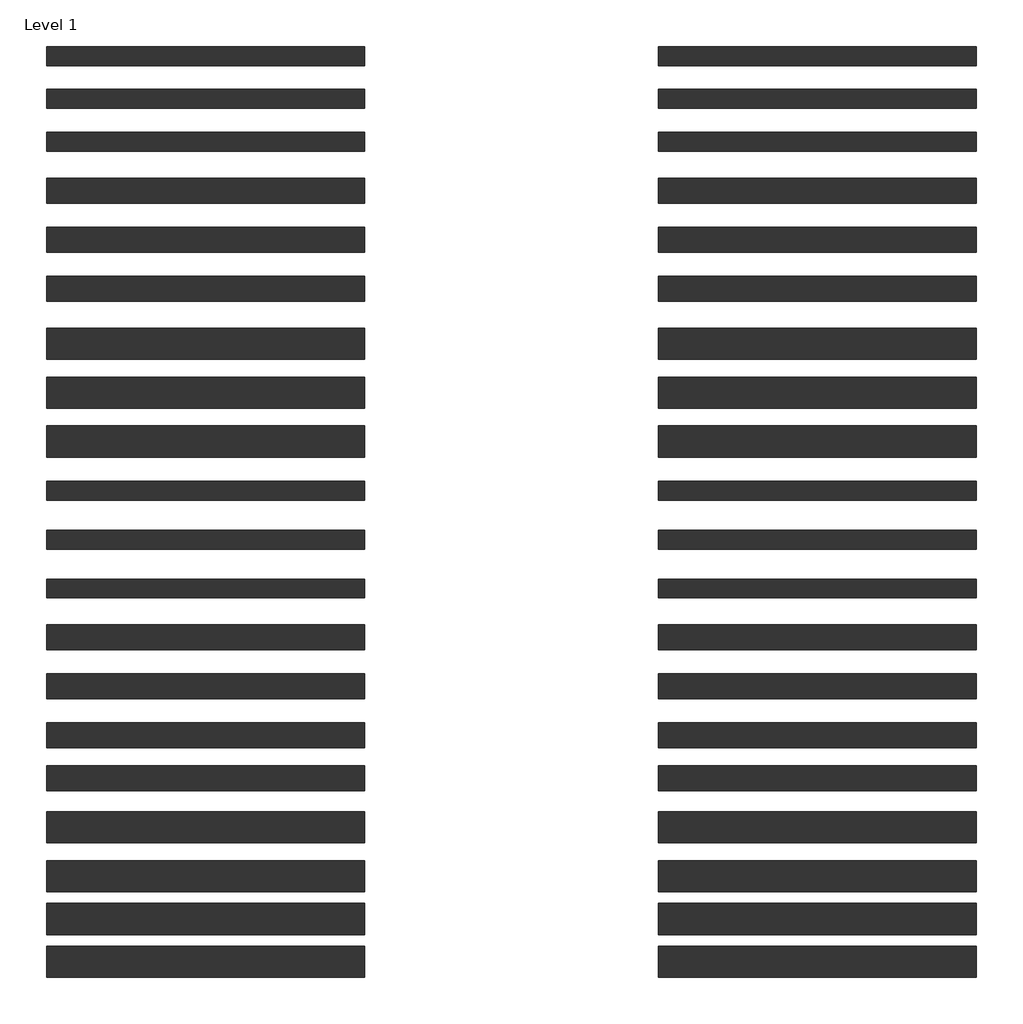
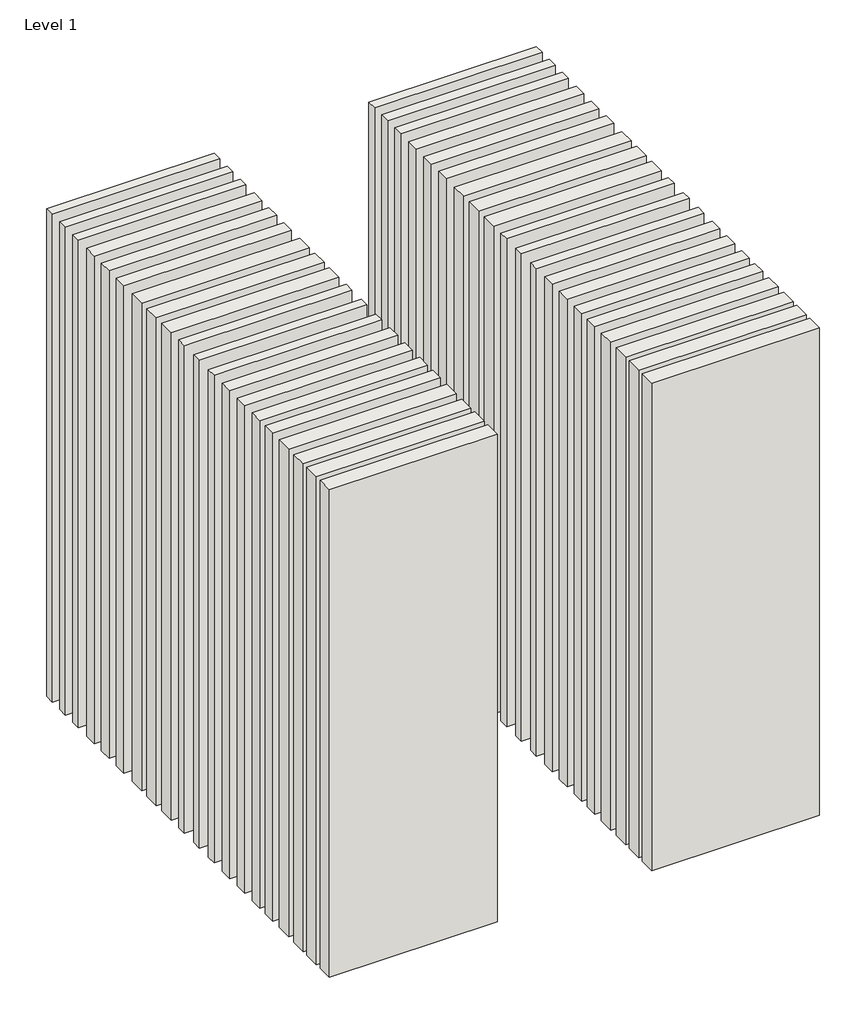
# One storey: 40 walls.
"""IFC4 building model written with IfcOpenShell, lengths in millimetres."""

import ifcopenshell
import ifcopenshell.guid

model = None  # the IFC model being written
_history = None  # IfcOwnerHistory: only IFC2X3 demands one
_inside = {}  # id of a spatial element -> (the spatial element, [elements in it])
_under = {}  # id of a project, library or spatial element -> (it, [spatial elements below it])
_declared = {}  # id of a project -> (the project, [libraries it declares])
_typed = {}  # id of a type object -> (the type object, [elements of that type])
_made_of = {}  # id of a material, layer set ... -> (it, [elements and type objects made of it])


def new_model(schema):
    """Start an empty IFC model of exactly this schema.

    Asked for "IFC4X3", IfcOpenShell would pick the latest addendum, in which some entities
    have other attributes; the version numbers below select the first issue.
    IFC2X3 requires an IfcOwnerHistory on every rooted entity: one is made here for all.
    """
    global model, _history
    if schema == "IFC4X3":
        model = ifcopenshell.file(schema_version=(4, 3, 0, 0))
    else:
        model = ifcopenshell.file(schema=schema)
    _inside.clear()
    _under.clear()
    _declared.clear()
    _typed.clear()
    _made_of.clear()
    _history = None
    if model.schema == "IFC2X3":
        org = make("IfcOrganization", Name="unknown")
        user = make(
            "IfcPersonAndOrganization",
            ThePerson=make("IfcPerson", FamilyName="unknown"),
            TheOrganization=org,
        )
        app = make(
            "IfcApplication",
            ApplicationDeveloper=org,
            Version="unknown",
            ApplicationFullName="unknown",
            ApplicationIdentifier="unknown",
        )
        _history = make(
            "IfcOwnerHistory",
            OwningUser=user,
            OwningApplication=app,
            ChangeAction="ADDED",
            CreationDate=0,
        )
    return model


def make(cls, **values):
    """One entity of the class cls with the attributes given. An attribute that is None is left unset."""
    return model.create_entity(
        cls, **{name: value for name, value in values.items() if value is not None}
    )


def rooted(cls, **values):
    """An entity with a GlobalId (a new one), such as an element, a storey or a relation."""
    return make(cls, GlobalId=ifcopenshell.guid.new(), OwnerHistory=_history, **values)


def si_unit(unit_type, name, prefix=None):
    """IfcSIUnit, for example si_unit("LENGTHUNIT", "METRE", prefix="MILLI")."""
    return make("IfcSIUnit", UnitType=unit_type, Prefix=prefix, Name=name)


def assignment(units):
    """IfcUnitAssignment: the units of a project."""
    return None if units is None else make("IfcUnitAssignment", Units=units)


def point(xyz):
    """IfcCartesianPoint."""
    return None if xyz is None else make("IfcCartesianPoint", Coordinates=xyz)


def direction(xyz):
    """IfcDirection."""
    return None if xyz is None else make("IfcDirection", DirectionRatios=xyz)


def frame(location, z_axis=None, x_axis=None):
    """IfcAxis2Placement3D, a coordinate frame: its origin and axes. An axis left out is left unset."""
    return make(
        "IfcAxis2Placement3D",
        Location=point(location),
        Axis=direction(z_axis),
        RefDirection=direction(x_axis),
    )


def origin():
    """The frame at (0, 0, 0) with its axes left unset."""
    return frame((0.0, 0.0, 0.0))


def origin_with_axes():
    """The frame at (0, 0, 0) with the z axis (0, 0, 1) and the x axis (1, 0, 0) written out."""
    return frame((0.0, 0.0, 0.0), z_axis=(0.0, 0.0, 1.0), x_axis=(1.0, 0.0, 0.0))


def place(relative_to, where):
    """IfcLocalPlacement: puts the frame where relative to a parent placement (None: the world)."""
    return make(
        "IfcLocalPlacement", PlacementRelTo=relative_to, RelativePlacement=where
    )


def context(
    kind, dimensions, precision=None, world=None, true_north=None, identifier=None
):
    """IfcGeometricRepresentationContext, for example the 3D "Model" context."""
    return make(
        "IfcGeometricRepresentationContext",
        ContextIdentifier=identifier,
        ContextType=kind,
        CoordinateSpaceDimension=dimensions,
        Precision=precision,
        WorldCoordinateSystem=world,
        TrueNorth=true_north,
    )


def project(units=None, contexts=None):
    """IfcProject with its units and contexts."""
    return rooted(
        "IfcProject",
        Name="project",
        RepresentationContexts=contexts,
        UnitsInContext=assignment(units),
    )


def spatial(cls, under=None, at=None, **own):
    """A site, building, storey or space (cls), placed at a placement, below another one or the project."""
    s = rooted(cls, ObjectPlacement=at, **own)
    if under is not None:
        _under.setdefault(under.id(), (under, []))[1].append(s)
    return s


def polyline(points):
    """IfcPolyline through the points."""
    return make("IfcPolyline", Points=[point(p) for p in points])


def outline(outer, holes=None, kind="AREA"):
    """IfcArbitraryClosedProfileDef: a profile drawn as a closed curve; with holes, ...WithVoids."""
    if holes is None:
        return make("IfcArbitraryClosedProfileDef", ProfileType=kind, OuterCurve=outer)
    return make(
        "IfcArbitraryProfileDefWithVoids",
        ProfileType=kind,
        OuterCurve=outer,
        InnerCurves=holes,
    )


def extrude(swept, where, along, depth):
    """IfcExtrudedAreaSolid: the profile swept, set in the frame where, extruded along a direction by depth."""
    return make(
        "IfcExtrudedAreaSolid",
        SweptArea=swept,
        Position=where,
        ExtrudedDirection=direction(along),
        Depth=depth,
    )


def shape(context_of_items, identifier, shape_type, items):
    """IfcShapeRepresentation: the items that make up one representation, for example the "Body"."""
    return make(
        "IfcShapeRepresentation",
        ContextOfItems=context_of_items,
        RepresentationIdentifier=identifier,
        RepresentationType=shape_type,
        Items=items,
    )


def made_of(thing, what):
    """Note that an element or type object is made of a material, layer set ...; save() writes the relation."""
    if what is not None:
        _made_of.setdefault(what.id(), (what, []))[1].append(thing)
    return thing


def element(
    cls,
    number,
    at=None,
    inside=None,
    cuts=None,
    type_object=None,
    material=None,
    context=None,
    identifier="Body",
    shape_type=None,
    held_by="IfcProductDefinitionShape",
    body=None,
    shapes=None,
    **own,
):
    """One element of the class cls, such as IfcWall. Its Tag is "e" and its number.

    at: its placement. inside: the storey or other place that contains it. cuts: it is an
    opening in that element (IfcRelVoidsElement). A single representation is given by context,
    identifier, shape_type and body (its items); several are given by shapes. held_by: the class
    of the entity that holds the representations. save() writes the other relations.
    """
    e = rooted(cls, Tag="e%d" % number, ObjectPlacement=at, **own)
    if body is not None:
        shapes = [shape(context, identifier, shape_type, body)]
    if shapes is not None:
        e.Representation = make(held_by, Representations=shapes)
    if inside is not None:
        _inside.setdefault(inside.id(), (inside, []))[1].append(e)
    if cuts is not None:
        rooted(
            "IfcRelVoidsElement", RelatingBuildingElement=cuts, RelatedOpeningElement=e
        )
    if type_object is not None:
        _typed.setdefault(type_object.id(), (type_object, []))[1].append(e)
    return made_of(e, material)


def aggregate(whole, parts):
    """IfcRelAggregates: a whole, such as a stair, and the parts it consists of."""
    return rooted("IfcRelAggregates", RelatingObject=whole, RelatedObjects=parts)


def save(model, path):
    """Write the relations noted so far, then the file.

    IfcRelAggregates (storeys below a building ...), IfcRelContainedInSpatialStructure (elements
    in a storey), IfcRelDefinesByType, IfcRelAssociatesMaterial and IfcRelDeclares: one each for
    every whole, place, type object, material and project.
    """
    for whole, parts in _under.values():
        aggregate(whole, parts)
    for where, things in _inside.values():
        rooted(
            "IfcRelContainedInSpatialStructure",
            RelatedElements=things,
            RelatingStructure=where,
        )
    for kind, things in _typed.values():
        rooted("IfcRelDefinesByType", RelatedObjects=things, RelatingType=kind)
    for what, things in _made_of.values():
        rooted("IfcRelAssociatesMaterial", RelatedObjects=things, RelatingMaterial=what)
    for by, libraries in _declared.values():
        rooted("IfcRelDeclares", RelatingContext=by, RelatedDefinitions=libraries)
    model.write(path)


model = new_model("IFC4")

# Units and contexts
model_context = context("Model", 3, world=origin())
ifc_project = project(units=[si_unit("LENGTHUNIT", "METRE", prefix="MILLI")], contexts=[model_context])

# Site, building, storey
site = spatial("IfcSite", under=ifc_project)
building = spatial("IfcBuilding", under=site)
storey = spatial("IfcBuildingStorey", under=building, Name="Level 1", Elevation=0.0)

# Walls
placement = place(None, origin())
element("IfcWall", 1, at=placement, inside=storey, context=model_context, shape_type="SweptSolid", body=[
    extrude(outline(polyline([(-16904.1464237, 3308.9042935), (-19504.1464237, 3308.9042935), (-19504.1464237, 3463.9042935), (-16904.1464237, 3463.9042935), (-16904.1464237, 3308.9042935)])), origin_with_axes(), (0.0, 0.0, 1.0), 8000.0),
])
element("IfcWall", 2, at=placement, inside=storey, context=model_context, shape_type="SweptSolid", body=[
    extrude(outline(polyline([(-16904.1464237, 2958.9042935), (-19504.1464237, 2958.9042935), (-19504.1464237, 3113.9042935), (-16904.1464237, 3113.9042935), (-16904.1464237, 2958.9042935)])), origin_with_axes(), (0.0, 0.0, 1.0), 8000.0),
])
element("IfcWall", 3, at=placement, inside=storey, context=model_context, shape_type="SweptSolid", body=[
    extrude(outline(polyline([(-16904.1464237, 2608.9042935), (-19504.1464237, 2608.9042935), (-19504.1464237, 2763.9042935), (-16904.1464237, 2763.9042935), (-16904.1464237, 2608.9042935)])), origin_with_axes(), (0.0, 0.0, 1.0), 8000.0),
])
element("IfcWall", 4, at=placement, inside=storey, context=model_context, shape_type="SweptSolid", body=[
    extrude(outline(polyline([(-16904.1464237, 2183.9042935), (-19504.1464237, 2183.9042935), (-19504.1464237, 2388.9042935), (-16904.1464237, 2388.9042935), (-16904.1464237, 2183.9042935)])), origin_with_axes(), (0.0, 0.0, 1.0), 8000.0),
])
element("IfcWall", 5, at=placement, inside=storey, context=model_context, shape_type="SweptSolid", body=[
    extrude(outline(polyline([(-16904.1464237, 1783.9042935), (-19504.1464237, 1783.9042935), (-19504.1464237, 1988.9042935), (-16904.1464237, 1988.9042935), (-16904.1464237, 1783.9042935)])), origin_with_axes(), (0.0, 0.0, 1.0), 8000.0),
])
element("IfcWall", 6, at=placement, inside=storey, context=model_context, shape_type="SweptSolid", body=[
    extrude(outline(polyline([(-16904.1464237, 1383.9042935), (-19504.1464237, 1383.9042935), (-19504.1464237, 1588.9042935), (-16904.1464237, 1588.9042935), (-16904.1464237, 1383.9042935)])), origin_with_axes(), (0.0, 0.0, 1.0), 8000.0),
])
element("IfcWall", 7, at=placement, inside=storey, context=model_context, shape_type="SweptSolid", body=[
    extrude(outline(polyline([(-16904.1464237, 908.9042935), (-19504.1464237, 908.9042935), (-19504.1464237, 1163.9042935), (-16904.1464237, 1163.9042935), (-16904.1464237, 908.9042935)])), origin_with_axes(), (0.0, 0.0, 1.0), 8000.0),
])
element("IfcWall", 8, at=placement, inside=storey, context=model_context, shape_type="SweptSolid", body=[
    extrude(outline(polyline([(-16904.1464237, 508.9042935), (-19504.1464237, 508.9042935), (-19504.1464237, 763.9042935), (-16904.1464237, 763.9042935), (-16904.1464237, 508.9042935)])), origin_with_axes(), (0.0, 0.0, 1.0), 8000.0),
])
element("IfcWall", 9, at=placement, inside=storey, context=model_context, shape_type="SweptSolid", body=[
    extrude(outline(polyline([(-16904.1464237, 108.9042935), (-19504.1464237, 108.9042935), (-19504.1464237, 363.9042935), (-16904.1464237, 363.9042935), (-16904.1464237, 108.9042935)])), origin_with_axes(), (0.0, 0.0, 1.0), 8000.0),
])
element("IfcWall", 10, at=placement, inside=storey, context=model_context, shape_type="SweptSolid", body=[
    extrude(outline(polyline([(-16904.1464237, -241.0957065), (-19504.1464237, -241.0957065), (-19504.1464237, -86.0957065), (-16904.1464237, -86.0957065), (-16904.1464237, -241.0957065)])), origin_with_axes(), (0.0, 0.0, 1.0), 8000.0),
])
element("IfcWall", 11, at=placement, inside=storey, context=model_context, shape_type="SweptSolid", body=[
    extrude(outline(polyline([(-16904.1464237, -641.0957065), (-19504.1464237, -641.0957065), (-19504.1464237, -486.0957065), (-16904.1464237, -486.0957065), (-16904.1464237, -641.0957065)])), origin_with_axes(), (0.0, 0.0, 1.0), 8000.0),
])
element("IfcWall", 12, at=placement, inside=storey, context=model_context, shape_type="SweptSolid", body=[
    extrude(outline(polyline([(-16904.1464237, -1041.0957065), (-19504.1464237, -1041.0957065), (-19504.1464237, -886.0957065), (-16904.1464237, -886.0957065), (-16904.1464237, -1041.0957065)])), origin_with_axes(), (0.0, 0.0, 1.0), 8000.0),
])
element("IfcWall", 13, at=placement, inside=storey, context=model_context, shape_type="SweptSolid", body=[
    extrude(outline(polyline([(-16904.1464237, -1466.0957065), (-19504.1464237, -1466.0957065), (-19504.1464237, -1261.0957065), (-16904.1464237, -1261.0957065), (-16904.1464237, -1466.0957065)])), origin_with_axes(), (0.0, 0.0, 1.0), 8000.0),
])
element("IfcWall", 14, at=placement, inside=storey, context=model_context, shape_type="SweptSolid", body=[
    extrude(outline(polyline([(-16904.1464237, -1866.0957065), (-19504.1464237, -1866.0957065), (-19504.1464237, -1661.0957065), (-16904.1464237, -1661.0957065), (-16904.1464237, -1866.0957065)])), origin_with_axes(), (0.0, 0.0, 1.0), 8000.0),
])
element("IfcWall", 15, at=placement, inside=storey, context=model_context, shape_type="SweptSolid", body=[
    extrude(outline(polyline([(-16904.1464237, -2266.0957065), (-19504.1464237, -2266.0957065), (-19504.1464237, -2061.0957065), (-16904.1464237, -2061.0957065), (-16904.1464237, -2266.0957065)])), origin_with_axes(), (0.0, 0.0, 1.0), 8000.0),
])
element("IfcWall", 16, at=placement, inside=storey, context=model_context, shape_type="SweptSolid", body=[
    extrude(outline(polyline([(-16904.1464237, -2616.0957065), (-19504.1464237, -2616.0957065), (-19504.1464237, -2411.0957065), (-16904.1464237, -2411.0957065), (-16904.1464237, -2616.0957065)])), origin_with_axes(), (0.0, 0.0, 1.0), 8000.0),
])
element("IfcWall", 17, at=placement, inside=storey, context=model_context, shape_type="SweptSolid", body=[
    extrude(outline(polyline([(-16904.1464237, -3041.0957065), (-19504.1464237, -3041.0957065), (-19504.1464237, -2786.0957065), (-16904.1464237, -2786.0957065), (-16904.1464237, -3041.0957065)])), origin_with_axes(), (0.0, 0.0, 1.0), 8000.0),
])
element("IfcWall", 18, at=placement, inside=storey, context=model_context, shape_type="SweptSolid", body=[
    extrude(outline(polyline([(-16904.1464237, -3441.0957065), (-19504.1464237, -3441.0957065), (-19504.1464237, -3186.0957065), (-16904.1464237, -3186.0957065), (-16904.1464237, -3441.0957065)])), origin_with_axes(), (0.0, 0.0, 1.0), 8000.0),
])
element("IfcWall", 19, at=placement, inside=storey, context=model_context, shape_type="SweptSolid", body=[
    extrude(outline(polyline([(-16904.1464237, -3791.0957065), (-19504.1464237, -3791.0957065), (-19504.1464237, -3536.0957065), (-16904.1464237, -3536.0957065), (-16904.1464237, -3791.0957065)])), origin_with_axes(), (0.0, 0.0, 1.0), 8000.0),
])
element("IfcWall", 20, at=placement, inside=storey, context=model_context, shape_type="SweptSolid", body=[
    extrude(outline(polyline([(-16904.1464237, -4141.0957065), (-19504.1464237, -4141.0957065), (-19504.1464237, -3886.0957065), (-16904.1464237, -3886.0957065), (-16904.1464237, -4141.0957065)])), origin_with_axes(), (0.0, 0.0, 1.0), 8000.0),
])
element("IfcWall", 21, at=placement, inside=storey, context=model_context, shape_type="SweptSolid", body=[
    extrude(outline(polyline([(-11904.1464237, 3308.9042935), (-14504.1464237, 3308.9042935), (-14504.1464237, 3463.9042935), (-11904.1464237, 3463.9042935), (-11904.1464237, 3308.9042935)])), origin_with_axes(), (0.0, 0.0, 1.0), 8000.0),
])
element("IfcWall", 22, at=placement, inside=storey, context=model_context, shape_type="SweptSolid", body=[
    extrude(outline(polyline([(-11904.1464237, 2958.9042935), (-14504.1464237, 2958.9042935), (-14504.1464237, 3113.9042935), (-11904.1464237, 3113.9042935), (-11904.1464237, 2958.9042935)])), origin_with_axes(), (0.0, 0.0, 1.0), 8000.0),
])
element("IfcWall", 23, at=placement, inside=storey, context=model_context, shape_type="SweptSolid", body=[
    extrude(outline(polyline([(-11904.1464237, 2608.9042935), (-14504.1464237, 2608.9042935), (-14504.1464237, 2763.9042935), (-11904.1464237, 2763.9042935), (-11904.1464237, 2608.9042935)])), origin_with_axes(), (0.0, 0.0, 1.0), 8000.0),
])
element("IfcWall", 24, at=placement, inside=storey, context=model_context, shape_type="SweptSolid", body=[
    extrude(outline(polyline([(-11904.1464237, 2183.9042935), (-14504.1464237, 2183.9042935), (-14504.1464237, 2388.9042935), (-11904.1464237, 2388.9042935), (-11904.1464237, 2183.9042935)])), origin_with_axes(), (0.0, 0.0, 1.0), 8000.0),
])
element("IfcWall", 25, at=placement, inside=storey, context=model_context, shape_type="SweptSolid", body=[
    extrude(outline(polyline([(-11904.1464237, 1783.9042935), (-14504.1464237, 1783.9042935), (-14504.1464237, 1988.9042935), (-11904.1464237, 1988.9042935), (-11904.1464237, 1783.9042935)])), origin_with_axes(), (0.0, 0.0, 1.0), 8000.0),
])
element("IfcWall", 26, at=placement, inside=storey, context=model_context, shape_type="SweptSolid", body=[
    extrude(outline(polyline([(-11904.1464237, 1383.9042935), (-14504.1464237, 1383.9042935), (-14504.1464237, 1588.9042935), (-11904.1464237, 1588.9042935), (-11904.1464237, 1383.9042935)])), origin_with_axes(), (0.0, 0.0, 1.0), 8000.0),
])
element("IfcWall", 27, at=placement, inside=storey, context=model_context, shape_type="SweptSolid", body=[
    extrude(outline(polyline([(-11904.1464237, 908.9042935), (-14504.1464237, 908.9042935), (-14504.1464237, 1163.9042935), (-11904.1464237, 1163.9042935), (-11904.1464237, 908.9042935)])), origin_with_axes(), (0.0, 0.0, 1.0), 8000.0),
])
element("IfcWall", 28, at=placement, inside=storey, context=model_context, shape_type="SweptSolid", body=[
    extrude(outline(polyline([(-11904.1464237, 508.9042935), (-14504.1464237, 508.9042935), (-14504.1464237, 763.9042935), (-11904.1464237, 763.9042935), (-11904.1464237, 508.9042935)])), origin_with_axes(), (0.0, 0.0, 1.0), 8000.0),
])
element("IfcWall", 29, at=placement, inside=storey, context=model_context, shape_type="SweptSolid", body=[
    extrude(outline(polyline([(-11904.1464237, 108.9042935), (-14504.1464237, 108.9042935), (-14504.1464237, 363.9042935), (-11904.1464237, 363.9042935), (-11904.1464237, 108.9042935)])), origin_with_axes(), (0.0, 0.0, 1.0), 8000.0),
])
element("IfcWall", 30, at=placement, inside=storey, context=model_context, shape_type="SweptSolid", body=[
    extrude(outline(polyline([(-11904.1464237, -241.0957065), (-14504.1464237, -241.0957065), (-14504.1464237, -86.0957065), (-11904.1464237, -86.0957065), (-11904.1464237, -241.0957065)])), origin_with_axes(), (0.0, 0.0, 1.0), 8000.0),
])
element("IfcWall", 31, at=placement, inside=storey, context=model_context, shape_type="SweptSolid", body=[
    extrude(outline(polyline([(-11904.1464237, -641.0957065), (-14504.1464237, -641.0957065), (-14504.1464237, -486.0957065), (-11904.1464237, -486.0957065), (-11904.1464237, -641.0957065)])), origin_with_axes(), (0.0, 0.0, 1.0), 8000.0),
])
element("IfcWall", 32, at=placement, inside=storey, context=model_context, shape_type="SweptSolid", body=[
    extrude(outline(polyline([(-11904.1464237, -1041.0957065), (-14504.1464237, -1041.0957065), (-14504.1464237, -886.0957065), (-11904.1464237, -886.0957065), (-11904.1464237, -1041.0957065)])), origin_with_axes(), (0.0, 0.0, 1.0), 8000.0),
])
element("IfcWall", 33, at=placement, inside=storey, context=model_context, shape_type="SweptSolid", body=[
    extrude(outline(polyline([(-11904.1464237, -1466.0957065), (-14504.1464237, -1466.0957065), (-14504.1464237, -1261.0957065), (-11904.1464237, -1261.0957065), (-11904.1464237, -1466.0957065)])), origin_with_axes(), (0.0, 0.0, 1.0), 8000.0),
])
element("IfcWall", 34, at=placement, inside=storey, context=model_context, shape_type="SweptSolid", body=[
    extrude(outline(polyline([(-11904.1464237, -1866.0957065), (-14504.1464237, -1866.0957065), (-14504.1464237, -1661.0957065), (-11904.1464237, -1661.0957065), (-11904.1464237, -1866.0957065)])), origin_with_axes(), (0.0, 0.0, 1.0), 8000.0),
])
element("IfcWall", 35, at=placement, inside=storey, context=model_context, shape_type="SweptSolid", body=[
    extrude(outline(polyline([(-11904.1464237, -2266.0957065), (-14504.1464237, -2266.0957065), (-14504.1464237, -2061.0957065), (-11904.1464237, -2061.0957065), (-11904.1464237, -2266.0957065)])), origin_with_axes(), (0.0, 0.0, 1.0), 8000.0),
])
element("IfcWall", 36, at=placement, inside=storey, context=model_context, shape_type="SweptSolid", body=[
    extrude(outline(polyline([(-11904.1464237, -2616.0957065), (-14504.1464237, -2616.0957065), (-14504.1464237, -2411.0957065), (-11904.1464237, -2411.0957065), (-11904.1464237, -2616.0957065)])), origin_with_axes(), (0.0, 0.0, 1.0), 8000.0),
])
element("IfcWall", 37, at=placement, inside=storey, context=model_context, shape_type="SweptSolid", body=[
    extrude(outline(polyline([(-11904.1464237, -3041.0957065), (-14504.1464237, -3041.0957065), (-14504.1464237, -2786.0957065), (-11904.1464237, -2786.0957065), (-11904.1464237, -3041.0957065)])), origin_with_axes(), (0.0, 0.0, 1.0), 8000.0),
])
element("IfcWall", 38, at=placement, inside=storey, context=model_context, shape_type="SweptSolid", body=[
    extrude(outline(polyline([(-11904.1464237, -3441.0957065), (-14504.1464237, -3441.0957065), (-14504.1464237, -3186.0957065), (-11904.1464237, -3186.0957065), (-11904.1464237, -3441.0957065)])), origin_with_axes(), (0.0, 0.0, 1.0), 8000.0),
])
element("IfcWall", 39, at=placement, inside=storey, context=model_context, shape_type="SweptSolid", body=[
    extrude(outline(polyline([(-11904.1464237, -3791.0957065), (-14504.1464237, -3791.0957065), (-14504.1464237, -3536.0957065), (-11904.1464237, -3536.0957065), (-11904.1464237, -3791.0957065)])), origin_with_axes(), (0.0, 0.0, 1.0), 8000.0),
])
element("IfcWall", 40, at=placement, inside=storey, context=model_context, shape_type="SweptSolid", body=[
    extrude(outline(polyline([(-11904.1464237, -4141.0957065), (-14504.1464237, -4141.0957065), (-14504.1464237, -3886.0957065), (-11904.1464237, -3886.0957065), (-11904.1464237, -4141.0957065)])), origin_with_axes(), (0.0, 0.0, 1.0), 8000.0),
])

save(model, "model.ifc")
